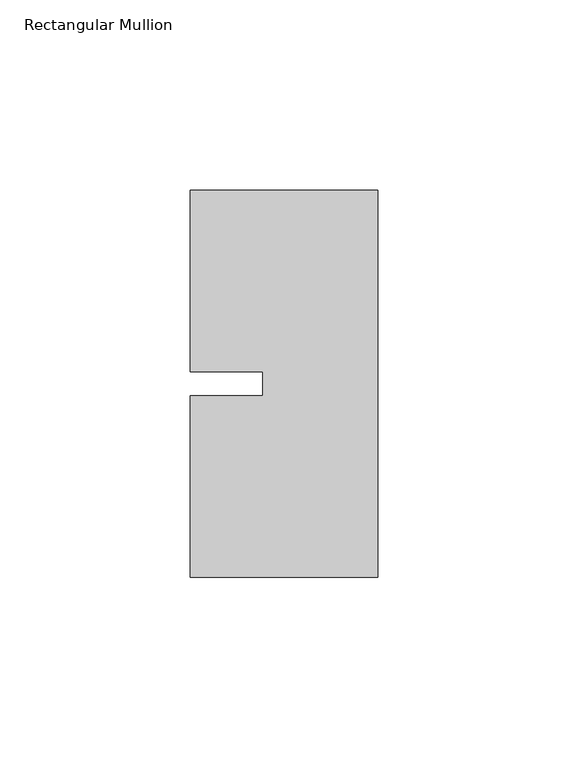
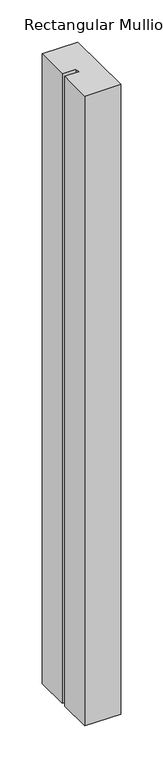
"""IFC4 building model written with IfcOpenShell, lengths in millimetres: member geometry, Rectangular Mullion."""

from ifc_helpers import new_model, si_unit, frame, origin, place, context, project, spatial, polyline, outline, extrude, source, transform, mapped, element, save


def rectangular_mullion_ae85ba22(model_context):
    return source(origin(), model_context, "Body", "SweptSolid", [
        extrude(outline(polyline([(-49.2125, 50.8), (0.0, 50.8), (0.0, -50.8), (-49.2125, -50.8), (-49.2125, -3.175), (-30.1625, -3.175), (-30.1625, 3.175), (-49.2125, 3.175), (-49.2125, 50.8)])), frame((0.0, 0.0, -914.4), z_axis=(0.0, 0.0, 1.0), x_axis=(1.0, 0.0, 0.0)), (0.0, 0.0, 1.0), 914.4),
    ])


if __name__ == "__main__":
    model = new_model("IFC4")
    model_context = context("Model", 3, world=origin())
    ifc_project = project(units=[si_unit("LENGTHUNIT", "METRE", prefix="MILLI")], contexts=[model_context])
    site = spatial("IfcSite", under=ifc_project)
    building = spatial("IfcBuilding", under=site)
    placement = place(None, origin())
    rectangular_mullion_shape = rectangular_mullion_ae85ba22(model_context)
    element("IfcMember", 1, ObjectType="Rectangular Mullion", at=placement, inside=building, context=model_context, shape_type="MappedRepresentation", body=[
        mapped(rectangular_mullion_shape, transform((0.0, 0.0, 0.0), x_axis=(1.0, 0.0, 0.0), y_axis=(0.0, 1.0, 0.0), z_axis=(0.0, 0.0, 1.0))),
    ])
    save(model, "model.ifc")
